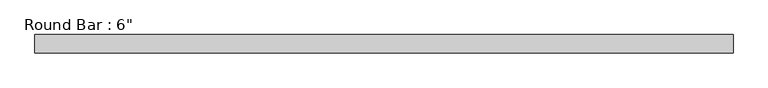
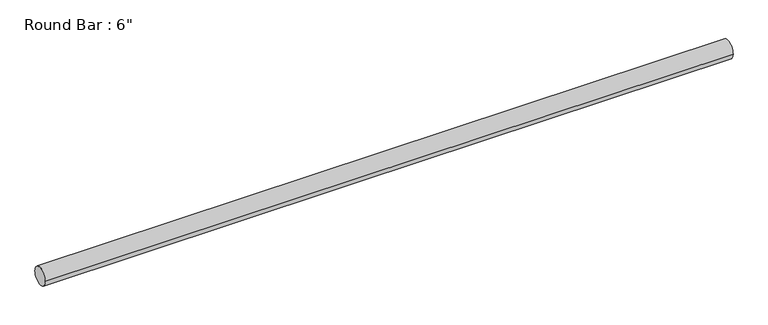
"""IFC4 building model written with IfcOpenShell, lengths in millimetres: beam geometry."""

from ifc_helpers import new_model, si_unit, point, frame, origin, origin_2d, place, context, project, spatial, circle_curve, trimmed, segment, composite_curve, outline, extrude, source, transform, mapped, element, save


def beam_3311969f(model_context):
    return source(origin(), model_context, "Body", "SweptSolid", [
        extrude(outline(composite_curve([segment(trimmed(circle_curve(origin_2d(), 76.2), [point((-76.2, 0.0))], [point((76.2, 0.0))], False, "CARTESIAN"), True, "CONTINUOUS"), segment(trimmed(circle_curve(origin_2d(), 76.2), [point((76.2, 0.0))], [point((-76.2, 0.0))], False, "CARTESIAN"), True, "CONTINUOUS")], self_intersect=False)), frame((-2870.9678852, 0.0, 0.0), z_axis=(1.0, 0.0, 0.0), x_axis=(0.0, 1.0, 0.0)), (0.0, 0.0, 1.0), 5741.9357704),
    ])


if __name__ == "__main__":
    model = new_model("IFC4")
    model_context = context("Model", 3, world=origin())
    ifc_project = project(units=[si_unit("LENGTHUNIT", "METRE", prefix="MILLI")], contexts=[model_context])
    site = spatial("IfcSite", under=ifc_project)
    building = spatial("IfcBuilding", under=site)
    placement = place(None, origin())
    beam_shape = beam_3311969f(model_context)
    element("IfcBeam", 1, ObjectType="Round Bar : 6\"", at=placement, inside=building, context=model_context, shape_type="MappedRepresentation", body=[
        mapped(beam_shape, transform((0.0, 0.0, 0.0), x_axis=(1.0, 0.0, 0.0), y_axis=(0.0, 1.0, 0.0), z_axis=(0.0, 0.0, 1.0))),
    ])
    save(model, "model.ifc")
